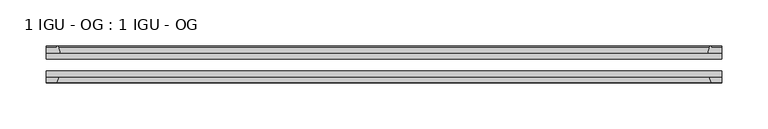
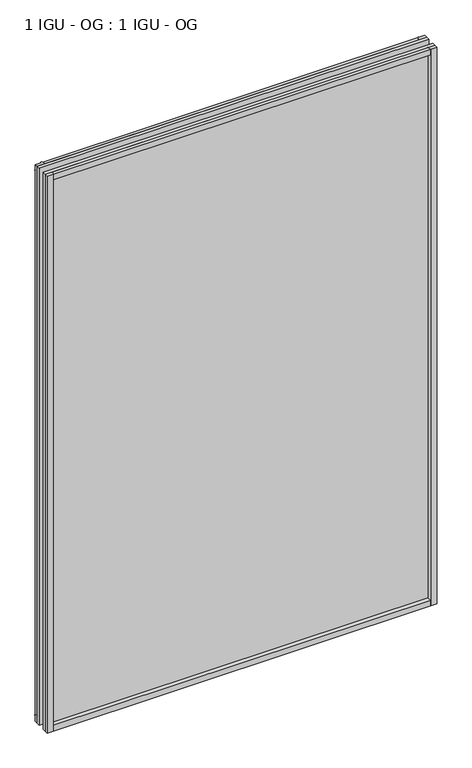
"""IFC4 building model written with IfcOpenShell, lengths in millimetres: plate geometry, 1 IGU - OG : 1 IGU - OG."""

import ifcopenshell
import ifcopenshell.guid

model = None  # the IFC model being written
_history = None  # IfcOwnerHistory: only IFC2X3 demands one
_inside = {}  # id of a spatial element -> (the spatial element, [elements in it])
_under = {}  # id of a project, library or spatial element -> (it, [spatial elements below it])
_declared = {}  # id of a project -> (the project, [libraries it declares])
_typed = {}  # id of a type object -> (the type object, [elements of that type])
_made_of = {}  # id of a material, layer set ... -> (it, [elements and type objects made of it])


def new_model(schema):
    """Start an empty IFC model of exactly this schema.

    Asked for "IFC4X3", IfcOpenShell would pick the latest addendum, in which some entities
    have other attributes; the version numbers below select the first issue.
    IFC2X3 requires an IfcOwnerHistory on every rooted entity: one is made here for all.
    """
    global model, _history
    if schema == "IFC4X3":
        model = ifcopenshell.file(schema_version=(4, 3, 0, 0))
    else:
        model = ifcopenshell.file(schema=schema)
    _inside.clear()
    _under.clear()
    _declared.clear()
    _typed.clear()
    _made_of.clear()
    _history = None
    if model.schema == "IFC2X3":
        org = make("IfcOrganization", Name="unknown")
        user = make(
            "IfcPersonAndOrganization",
            ThePerson=make("IfcPerson", FamilyName="unknown"),
            TheOrganization=org,
        )
        app = make(
            "IfcApplication",
            ApplicationDeveloper=org,
            Version="unknown",
            ApplicationFullName="unknown",
            ApplicationIdentifier="unknown",
        )
        _history = make(
            "IfcOwnerHistory",
            OwningUser=user,
            OwningApplication=app,
            ChangeAction="ADDED",
            CreationDate=0,
        )
    return model


def make(cls, **values):
    """One entity of the class cls with the attributes given. An attribute that is None is left unset."""
    return model.create_entity(
        cls, **{name: value for name, value in values.items() if value is not None}
    )


def rooted(cls, **values):
    """An entity with a GlobalId (a new one), such as an element, a storey or a relation."""
    return make(cls, GlobalId=ifcopenshell.guid.new(), OwnerHistory=_history, **values)


def si_unit(unit_type, name, prefix=None):
    """IfcSIUnit, for example si_unit("LENGTHUNIT", "METRE", prefix="MILLI")."""
    return make("IfcSIUnit", UnitType=unit_type, Prefix=prefix, Name=name)


def assignment(units):
    """IfcUnitAssignment: the units of a project."""
    return None if units is None else make("IfcUnitAssignment", Units=units)


def point(xyz):
    """IfcCartesianPoint."""
    return None if xyz is None else make("IfcCartesianPoint", Coordinates=xyz)


def direction(xyz):
    """IfcDirection."""
    return None if xyz is None else make("IfcDirection", DirectionRatios=xyz)


def frame(location, z_axis=None, x_axis=None):
    """IfcAxis2Placement3D, a coordinate frame: its origin and axes. An axis left out is left unset."""
    return make(
        "IfcAxis2Placement3D",
        Location=point(location),
        Axis=direction(z_axis),
        RefDirection=direction(x_axis),
    )


def frame_2d(location, x_axis=None):
    """IfcAxis2Placement2D, a coordinate frame in the plane: its origin and x axis."""
    return make(
        "IfcAxis2Placement2D", Location=point(location), RefDirection=direction(x_axis)
    )


def origin():
    """The frame at (0, 0, 0) with its axes left unset."""
    return frame((0.0, 0.0, 0.0))


def place(relative_to, where):
    """IfcLocalPlacement: puts the frame where relative to a parent placement (None: the world)."""
    return make(
        "IfcLocalPlacement", PlacementRelTo=relative_to, RelativePlacement=where
    )


def context(
    kind, dimensions, precision=None, world=None, true_north=None, identifier=None
):
    """IfcGeometricRepresentationContext, for example the 3D "Model" context."""
    return make(
        "IfcGeometricRepresentationContext",
        ContextIdentifier=identifier,
        ContextType=kind,
        CoordinateSpaceDimension=dimensions,
        Precision=precision,
        WorldCoordinateSystem=world,
        TrueNorth=true_north,
    )


def project(units=None, contexts=None):
    """IfcProject with its units and contexts."""
    return rooted(
        "IfcProject",
        Name="project",
        RepresentationContexts=contexts,
        UnitsInContext=assignment(units),
    )


def spatial(cls, under=None, at=None, **own):
    """A site, building, storey or space (cls), placed at a placement, below another one or the project."""
    s = rooted(cls, ObjectPlacement=at, **own)
    if under is not None:
        _under.setdefault(under.id(), (under, []))[1].append(s)
    return s


def polyline(points):
    """IfcPolyline through the points."""
    return make("IfcPolyline", Points=[point(p) for p in points])


def circle_curve(where, radius):
    """IfcCircle in the frame where."""
    return make("IfcCircle", Position=where, Radius=radius)


def trimmed(basis, trim1, trim2, sense, master):
    """IfcTrimmedCurve: the piece of a basis curve between two trims."""
    return make(
        "IfcTrimmedCurve",
        BasisCurve=basis,
        Trim1=trim1,
        Trim2=trim2,
        SenseAgreement=sense,
        MasterRepresentation=master,
    )


def segment(curve, same_sense, transition):
    """IfcCompositeCurveSegment."""
    return make(
        "IfcCompositeCurveSegment",
        Transition=transition,
        SameSense=same_sense,
        ParentCurve=curve,
    )


def composite_curve(segments, self_intersect=None):
    """IfcCompositeCurve: segments joined end to end."""
    return make("IfcCompositeCurve", Segments=segments, SelfIntersect=self_intersect)


def outline(outer, holes=None, kind="AREA"):
    """IfcArbitraryClosedProfileDef: a profile drawn as a closed curve; with holes, ...WithVoids."""
    if holes is None:
        return make("IfcArbitraryClosedProfileDef", ProfileType=kind, OuterCurve=outer)
    return make(
        "IfcArbitraryProfileDefWithVoids",
        ProfileType=kind,
        OuterCurve=outer,
        InnerCurves=holes,
    )


def extrude(swept, where, along, depth):
    """IfcExtrudedAreaSolid: the profile swept, set in the frame where, extruded along a direction by depth."""
    return make(
        "IfcExtrudedAreaSolid",
        SweptArea=swept,
        Position=where,
        ExtrudedDirection=direction(along),
        Depth=depth,
    )


def shape(context_of_items, identifier, shape_type, items):
    """IfcShapeRepresentation: the items that make up one representation, for example the "Body"."""
    return make(
        "IfcShapeRepresentation",
        ContextOfItems=context_of_items,
        RepresentationIdentifier=identifier,
        RepresentationType=shape_type,
        Items=items,
    )


def source(mapping_origin, context_of_items, identifier, shape_type, items):
    """IfcRepresentationMap: a shape defined once, which mapped items show again and again."""
    return make(
        "IfcRepresentationMap",
        MappingOrigin=mapping_origin,
        MappedRepresentation=shape(context_of_items, identifier, shape_type, items),
    )


def transform(
    local_origin,
    x_axis=None,
    y_axis=None,
    z_axis=None,
    scale=None,
    scale2=None,
    scale3=None,
    uniform=True,
):
    """IfcCartesianTransformationOperator3D, or its non-uniform kind. x_axis, y_axis, z_axis: its Axis1, 2, 3."""
    if uniform:
        return make(
            "IfcCartesianTransformationOperator3D",
            Axis1=direction(x_axis),
            Axis2=direction(y_axis),
            LocalOrigin=point(local_origin),
            Scale=scale,
            Axis3=direction(z_axis),
        )
    return make(
        "IfcCartesianTransformationOperator3DnonUniform",
        Axis1=direction(x_axis),
        Axis2=direction(y_axis),
        LocalOrigin=point(local_origin),
        Scale=scale,
        Axis3=direction(z_axis),
        Scale2=scale2,
        Scale3=scale3,
    )


def mapped(mapping_source, mapping_target):
    """IfcMappedItem: shows the shape of a source again, moved by a transform."""
    return make(
        "IfcMappedItem", MappingSource=mapping_source, MappingTarget=mapping_target
    )


def made_of(thing, what):
    """Note that an element or type object is made of a material, layer set ...; save() writes the relation."""
    if what is not None:
        _made_of.setdefault(what.id(), (what, []))[1].append(thing)
    return thing


def element(
    cls,
    number,
    at=None,
    inside=None,
    cuts=None,
    type_object=None,
    material=None,
    context=None,
    identifier="Body",
    shape_type=None,
    held_by="IfcProductDefinitionShape",
    body=None,
    shapes=None,
    **own,
):
    """One element of the class cls, such as IfcWall. Its Tag is "e" and its number.

    at: its placement. inside: the storey or other place that contains it. cuts: it is an
    opening in that element (IfcRelVoidsElement). A single representation is given by context,
    identifier, shape_type and body (its items); several are given by shapes. held_by: the class
    of the entity that holds the representations. save() writes the other relations.
    """
    e = rooted(cls, Tag="e%d" % number, ObjectPlacement=at, **own)
    if body is not None:
        shapes = [shape(context, identifier, shape_type, body)]
    if shapes is not None:
        e.Representation = make(held_by, Representations=shapes)
    if inside is not None:
        _inside.setdefault(inside.id(), (inside, []))[1].append(e)
    if cuts is not None:
        rooted(
            "IfcRelVoidsElement", RelatingBuildingElement=cuts, RelatedOpeningElement=e
        )
    if type_object is not None:
        _typed.setdefault(type_object.id(), (type_object, []))[1].append(e)
    return made_of(e, material)


def aggregate(whole, parts):
    """IfcRelAggregates: a whole, such as a stair, and the parts it consists of."""
    return rooted("IfcRelAggregates", RelatingObject=whole, RelatedObjects=parts)


def save(model, path):
    """Write the relations noted so far, then the file.

    IfcRelAggregates (storeys below a building ...), IfcRelContainedInSpatialStructure (elements
    in a storey), IfcRelDefinesByType, IfcRelAssociatesMaterial and IfcRelDeclares: one each for
    every whole, place, type object, material and project.
    """
    for whole, parts in _under.values():
        aggregate(whole, parts)
    for where, things in _inside.values():
        rooted(
            "IfcRelContainedInSpatialStructure",
            RelatedElements=things,
            RelatingStructure=where,
        )
    for kind, things in _typed.values():
        rooted("IfcRelDefinesByType", RelatedObjects=things, RelatingType=kind)
    for what, things in _made_of.values():
        rooted("IfcRelAssociatesMaterial", RelatedObjects=things, RelatingMaterial=what)
    for by, libraries in _declared.values():
        rooted("IfcRelDeclares", RelatingContext=by, RelatedDefinitions=libraries)
    model.write(path)


def plate_1_igu_og_1_igu_og_cb47b1e2(model_context):
    return source(origin(), model_context, "Body", "SweptSolid", [
        extrude(outline(polyline([(345.8824303, -31.75), (345.8824303, -38.1), (-383.9824303, -38.1), (-383.9824303, -31.75), (345.8824303, -31.75)])), frame((0.0, 0.0, -11.1125), z_axis=(0.0, 0.0, 1.0), x_axis=(1.0, 0.0, 0.0)), (0.0, 0.0, 1.0), 1101.7245636),
        extrude(outline(polyline([(-383.9824303, -12.7), (345.8824303, -12.7), (345.8824303, -19.05), (-383.9824303, -19.05), (-383.9824303, -12.7)])), frame((0.0, 0.0, -11.1125), z_axis=(0.0, 0.0, 1.0), x_axis=(1.0, 0.0, 0.0)), (0.0, 0.0, 1.0), 1101.7245636),
        extrude(outline(composite_curve([segment(polyline([(-368.6466394, -12.7), (-383.9824303, -12.7), (-383.9824303, -6.35), (-372.8699303, -6.35), (-372.8699303, -4.7751661), (-371.9405163, -4.7751661)]), True, "CONTINUOUS"), segment(trimmed(circle_curve(frame_2d((-371.9405163, -5.5371661)), 0.762), [point((-371.9405163, -4.7751661))], [point((-371.1983063, -5.364631))], False, "CARTESIAN"), True, "CONTINUOUS"), segment(trimmed(circle_curve(frame_2d((-335.5690881, 2.9177851)), 36.5792237), [point((-371.1983063, -5.364631))], [point((-368.6466394, -12.7))], True, "CARTESIAN"), True, "CONTINUOUS")], self_intersect=False)), frame((0.0, 0.0, -11.1125), z_axis=(0.0, 0.0, 1.0), x_axis=(1.0, 0.0, 0.0)), (0.0, 0.0, 1.0), 1101.7245636),
        extrude(outline(polyline([(-383.9824303, -38.1), (-370.7646532, -38.1), (-372.8699303, -44.45), (-383.9824303, -44.45), (-383.9824303, -38.1)])), frame((0.0, 0.0, -11.1125), z_axis=(0.0, 0.0, 1.0), x_axis=(1.0, 0.0, 0.0)), (0.0, 0.0, 1.0), 1101.7245636),
        extrude(outline(composite_curve([segment(trimmed(circle_curve(frame_2d((333.8405163, -5.5371661)), 0.762), [point((333.0983063, -5.364631))], [point((333.8405163, -4.7751661))], False, "CARTESIAN"), True, "CONTINUOUS"), segment(polyline([(333.8405163, -4.7751661), (334.7699303, -4.7751661), (334.7699303, -6.35), (345.8824303, -6.35), (345.8824303, -12.7), (330.5466394, -12.7)]), True, "CONTINUOUS"), segment(trimmed(circle_curve(frame_2d((297.4690881, 2.9177851)), 36.5792237), [point((330.5466394, -12.7))], [point((333.0983063, -5.364631))], True, "CARTESIAN"), True, "CONTINUOUS")], self_intersect=False)), frame((0.0, 0.0, -11.1125), z_axis=(0.0, 0.0, 1.0), x_axis=(1.0, 0.0, 0.0)), (0.0, 0.0, 1.0), 1101.7245636),
        extrude(outline(polyline([(332.6646532, -38.1), (345.8824303, -38.1), (345.8824303, -44.45), (334.7699303, -44.45), (332.6646532, -38.1)])), frame((0.0, 0.0, -11.1125), z_axis=(0.0, 0.0, 1.0), x_axis=(1.0, 0.0, 0.0)), (0.0, 0.0, 1.0), 1101.7245636),
        extrude(outline(composite_curve([segment(polyline([(-12.7, -11.1125), (-12.7, 4.2232909)]), True, "CONTINUOUS"), segment(trimmed(circle_curve(frame_2d((2.9177851, 37.3008421)), 36.5792237), [point((-12.7, 4.2232909))], [point((-5.364631, 1.6716239))], True, "CARTESIAN"), True, "CONTINUOUS"), segment(trimmed(circle_curve(frame_2d((-5.5371661, 0.929414)), 0.762), [point((-5.364631, 1.6716239))], [point((-4.7751661, 0.929414))], False, "CARTESIAN"), True, "CONTINUOUS"), segment(polyline([(-4.7751661, 0.929414), (-4.7751661, 0.0), (-6.35, 0.0), (-6.35, -11.1125), (-12.7, -11.1125)]), True, "CONTINUOUS")], self_intersect=False)), frame((-383.9824303, 0.0, 0.0), z_axis=(1.0, 0.0, 0.0), x_axis=(0.0, 1.0, 0.0)), (0.0, 0.0, 1.0), 729.8648605),
        extrude(outline(polyline([(-38.1, 2.1052771), (-38.1, -11.1125), (-44.45, -11.1125), (-44.45, 0.0), (-38.1, 2.1052771)])), frame((-383.9824303, 0.0, 0.0), z_axis=(1.0, 0.0, 0.0), x_axis=(0.0, 1.0, 0.0)), (0.0, 0.0, 1.0), 729.8648605),
        extrude(outline(composite_curve([segment(trimmed(circle_curve(frame_2d((2.9177851, 1042.1987214)), 36.5792237), [point((-5.364631, 1077.8279397))], [point((-12.7, 1075.2762727))], True, "CARTESIAN"), True, "CONTINUOUS"), segment(polyline([(-12.7, 1075.2762727), (-12.7, 1090.6120636), (-6.35, 1090.6120636), (-6.35, 1079.4995636), (-4.7751661, 1079.4995636), (-4.7751661, 1078.5701496)]), True, "CONTINUOUS"), segment(trimmed(circle_curve(frame_2d((-5.5371661, 1078.5701496)), 0.762), [point((-4.7751661, 1078.5701496))], [point((-5.364631, 1077.8279397))], False, "CARTESIAN"), True, "CONTINUOUS")], self_intersect=False)), frame((-383.9824303, 0.0, 0.0), z_axis=(1.0, 0.0, 0.0), x_axis=(0.0, 1.0, 0.0)), (0.0, 0.0, 1.0), 729.8648605),
        extrude(outline(polyline([(-38.1, 1090.6120636), (-38.1, 1077.3942865), (-44.45, 1079.4995636), (-44.45, 1090.6120636), (-38.1, 1090.6120636)])), frame((-383.9824303, 0.0, 0.0), z_axis=(1.0, 0.0, 0.0), x_axis=(0.0, 1.0, 0.0)), (0.0, 0.0, 1.0), 729.8648605),
    ])


if __name__ == "__main__":
    model = new_model("IFC4")
    model_context = context("Model", 3, world=origin())
    ifc_project = project(units=[si_unit("LENGTHUNIT", "METRE", prefix="MILLI")], contexts=[model_context])
    site = spatial("IfcSite", under=ifc_project)
    building = spatial("IfcBuilding", under=site)
    placement = place(None, origin())
    plate_1_igu_og_1_igu_og_shape = plate_1_igu_og_1_igu_og_cb47b1e2(model_context)
    element("IfcPlate", 1, ObjectType="1 IGU - OG : 1 IGU - OG", at=placement, inside=building, context=model_context, shape_type="MappedRepresentation", body=[
        mapped(plate_1_igu_og_1_igu_og_shape, transform((0.0, 0.0, 0.0), x_axis=(1.0, 0.0, 0.0), y_axis=(0.0, 1.0, 0.0), z_axis=(0.0, 0.0, 1.0))),
    ])
    save(model, "model.ifc")
